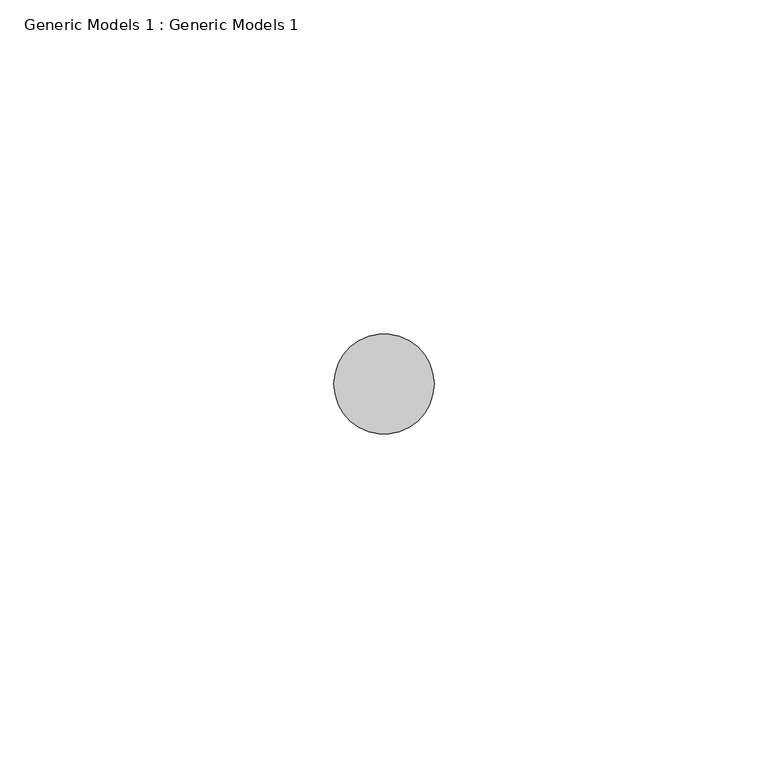
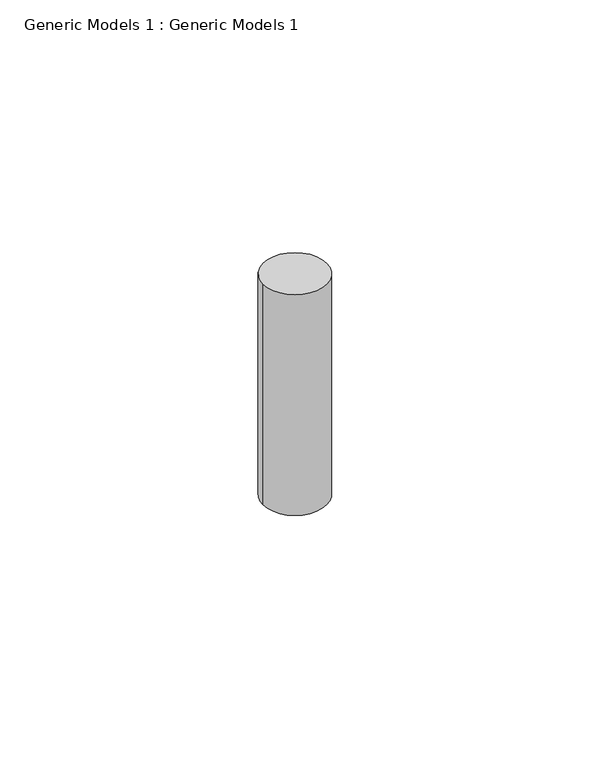
"""IFC4 building model written with IfcOpenShell, lengths in millimetres: proxy geometry, Generic Models 1 : Generic Models 1."""

import ifcopenshell
import ifcopenshell.guid

model = None  # the IFC model being written
_history = None  # IfcOwnerHistory: only IFC2X3 demands one
_inside = {}  # id of a spatial element -> (the spatial element, [elements in it])
_under = {}  # id of a project, library or spatial element -> (it, [spatial elements below it])
_declared = {}  # id of a project -> (the project, [libraries it declares])
_typed = {}  # id of a type object -> (the type object, [elements of that type])
_made_of = {}  # id of a material, layer set ... -> (it, [elements and type objects made of it])


def new_model(schema):
    """Start an empty IFC model of exactly this schema.

    Asked for "IFC4X3", IfcOpenShell would pick the latest addendum, in which some entities
    have other attributes; the version numbers below select the first issue.
    IFC2X3 requires an IfcOwnerHistory on every rooted entity: one is made here for all.
    """
    global model, _history
    if schema == "IFC4X3":
        model = ifcopenshell.file(schema_version=(4, 3, 0, 0))
    else:
        model = ifcopenshell.file(schema=schema)
    _inside.clear()
    _under.clear()
    _declared.clear()
    _typed.clear()
    _made_of.clear()
    _history = None
    if model.schema == "IFC2X3":
        org = make("IfcOrganization", Name="unknown")
        user = make(
            "IfcPersonAndOrganization",
            ThePerson=make("IfcPerson", FamilyName="unknown"),
            TheOrganization=org,
        )
        app = make(
            "IfcApplication",
            ApplicationDeveloper=org,
            Version="unknown",
            ApplicationFullName="unknown",
            ApplicationIdentifier="unknown",
        )
        _history = make(
            "IfcOwnerHistory",
            OwningUser=user,
            OwningApplication=app,
            ChangeAction="ADDED",
            CreationDate=0,
        )
    return model


def make(cls, **values):
    """One entity of the class cls with the attributes given. An attribute that is None is left unset."""
    return model.create_entity(
        cls, **{name: value for name, value in values.items() if value is not None}
    )


def rooted(cls, **values):
    """An entity with a GlobalId (a new one), such as an element, a storey or a relation."""
    return make(cls, GlobalId=ifcopenshell.guid.new(), OwnerHistory=_history, **values)


def si_unit(unit_type, name, prefix=None):
    """IfcSIUnit, for example si_unit("LENGTHUNIT", "METRE", prefix="MILLI")."""
    return make("IfcSIUnit", UnitType=unit_type, Prefix=prefix, Name=name)


def assignment(units):
    """IfcUnitAssignment: the units of a project."""
    return None if units is None else make("IfcUnitAssignment", Units=units)


def point(xyz):
    """IfcCartesianPoint."""
    return None if xyz is None else make("IfcCartesianPoint", Coordinates=xyz)


def direction(xyz):
    """IfcDirection."""
    return None if xyz is None else make("IfcDirection", DirectionRatios=xyz)


def frame(location, z_axis=None, x_axis=None):
    """IfcAxis2Placement3D, a coordinate frame: its origin and axes. An axis left out is left unset."""
    return make(
        "IfcAxis2Placement3D",
        Location=point(location),
        Axis=direction(z_axis),
        RefDirection=direction(x_axis),
    )


def frame_2d(location, x_axis=None):
    """IfcAxis2Placement2D, a coordinate frame in the plane: its origin and x axis."""
    return make(
        "IfcAxis2Placement2D", Location=point(location), RefDirection=direction(x_axis)
    )


def origin():
    """The frame at (0, 0, 0) with its axes left unset."""
    return frame((0.0, 0.0, 0.0))


def place(relative_to, where):
    """IfcLocalPlacement: puts the frame where relative to a parent placement (None: the world)."""
    return make(
        "IfcLocalPlacement", PlacementRelTo=relative_to, RelativePlacement=where
    )


def context(
    kind, dimensions, precision=None, world=None, true_north=None, identifier=None
):
    """IfcGeometricRepresentationContext, for example the 3D "Model" context."""
    return make(
        "IfcGeometricRepresentationContext",
        ContextIdentifier=identifier,
        ContextType=kind,
        CoordinateSpaceDimension=dimensions,
        Precision=precision,
        WorldCoordinateSystem=world,
        TrueNorth=true_north,
    )


def project(units=None, contexts=None):
    """IfcProject with its units and contexts."""
    return rooted(
        "IfcProject",
        Name="project",
        RepresentationContexts=contexts,
        UnitsInContext=assignment(units),
    )


def spatial(cls, under=None, at=None, **own):
    """A site, building, storey or space (cls), placed at a placement, below another one or the project."""
    s = rooted(cls, ObjectPlacement=at, **own)
    if under is not None:
        _under.setdefault(under.id(), (under, []))[1].append(s)
    return s


def circle_curve(where, radius):
    """IfcCircle in the frame where."""
    return make("IfcCircle", Position=where, Radius=radius)


def trimmed(basis, trim1, trim2, sense, master):
    """IfcTrimmedCurve: the piece of a basis curve between two trims."""
    return make(
        "IfcTrimmedCurve",
        BasisCurve=basis,
        Trim1=trim1,
        Trim2=trim2,
        SenseAgreement=sense,
        MasterRepresentation=master,
    )


def segment(curve, same_sense, transition):
    """IfcCompositeCurveSegment."""
    return make(
        "IfcCompositeCurveSegment",
        Transition=transition,
        SameSense=same_sense,
        ParentCurve=curve,
    )


def composite_curve(segments, self_intersect=None):
    """IfcCompositeCurve: segments joined end to end."""
    return make("IfcCompositeCurve", Segments=segments, SelfIntersect=self_intersect)


def outline(outer, holes=None, kind="AREA"):
    """IfcArbitraryClosedProfileDef: a profile drawn as a closed curve; with holes, ...WithVoids."""
    if holes is None:
        return make("IfcArbitraryClosedProfileDef", ProfileType=kind, OuterCurve=outer)
    return make(
        "IfcArbitraryProfileDefWithVoids",
        ProfileType=kind,
        OuterCurve=outer,
        InnerCurves=holes,
    )


def extrude(swept, where, along, depth):
    """IfcExtrudedAreaSolid: the profile swept, set in the frame where, extruded along a direction by depth."""
    return make(
        "IfcExtrudedAreaSolid",
        SweptArea=swept,
        Position=where,
        ExtrudedDirection=direction(along),
        Depth=depth,
    )


def shape(context_of_items, identifier, shape_type, items):
    """IfcShapeRepresentation: the items that make up one representation, for example the "Body"."""
    return make(
        "IfcShapeRepresentation",
        ContextOfItems=context_of_items,
        RepresentationIdentifier=identifier,
        RepresentationType=shape_type,
        Items=items,
    )


def source(mapping_origin, context_of_items, identifier, shape_type, items):
    """IfcRepresentationMap: a shape defined once, which mapped items show again and again."""
    return make(
        "IfcRepresentationMap",
        MappingOrigin=mapping_origin,
        MappedRepresentation=shape(context_of_items, identifier, shape_type, items),
    )


def transform(
    local_origin,
    x_axis=None,
    y_axis=None,
    z_axis=None,
    scale=None,
    scale2=None,
    scale3=None,
    uniform=True,
):
    """IfcCartesianTransformationOperator3D, or its non-uniform kind. x_axis, y_axis, z_axis: its Axis1, 2, 3."""
    if uniform:
        return make(
            "IfcCartesianTransformationOperator3D",
            Axis1=direction(x_axis),
            Axis2=direction(y_axis),
            LocalOrigin=point(local_origin),
            Scale=scale,
            Axis3=direction(z_axis),
        )
    return make(
        "IfcCartesianTransformationOperator3DnonUniform",
        Axis1=direction(x_axis),
        Axis2=direction(y_axis),
        LocalOrigin=point(local_origin),
        Scale=scale,
        Axis3=direction(z_axis),
        Scale2=scale2,
        Scale3=scale3,
    )


def mapped(mapping_source, mapping_target):
    """IfcMappedItem: shows the shape of a source again, moved by a transform."""
    return make(
        "IfcMappedItem", MappingSource=mapping_source, MappingTarget=mapping_target
    )


def made_of(thing, what):
    """Note that an element or type object is made of a material, layer set ...; save() writes the relation."""
    if what is not None:
        _made_of.setdefault(what.id(), (what, []))[1].append(thing)
    return thing


def element(
    cls,
    number,
    at=None,
    inside=None,
    cuts=None,
    type_object=None,
    material=None,
    context=None,
    identifier="Body",
    shape_type=None,
    held_by="IfcProductDefinitionShape",
    body=None,
    shapes=None,
    **own,
):
    """One element of the class cls, such as IfcWall. Its Tag is "e" and its number.

    at: its placement. inside: the storey or other place that contains it. cuts: it is an
    opening in that element (IfcRelVoidsElement). A single representation is given by context,
    identifier, shape_type and body (its items); several are given by shapes. held_by: the class
    of the entity that holds the representations. save() writes the other relations.
    """
    e = rooted(cls, Tag="e%d" % number, ObjectPlacement=at, **own)
    if body is not None:
        shapes = [shape(context, identifier, shape_type, body)]
    if shapes is not None:
        e.Representation = make(held_by, Representations=shapes)
    if inside is not None:
        _inside.setdefault(inside.id(), (inside, []))[1].append(e)
    if cuts is not None:
        rooted(
            "IfcRelVoidsElement", RelatingBuildingElement=cuts, RelatedOpeningElement=e
        )
    if type_object is not None:
        _typed.setdefault(type_object.id(), (type_object, []))[1].append(e)
    return made_of(e, material)


def aggregate(whole, parts):
    """IfcRelAggregates: a whole, such as a stair, and the parts it consists of."""
    return rooted("IfcRelAggregates", RelatingObject=whole, RelatedObjects=parts)


def save(model, path):
    """Write the relations noted so far, then the file.

    IfcRelAggregates (storeys below a building ...), IfcRelContainedInSpatialStructure (elements
    in a storey), IfcRelDefinesByType, IfcRelAssociatesMaterial and IfcRelDeclares: one each for
    every whole, place, type object, material and project.
    """
    for whole, parts in _under.values():
        aggregate(whole, parts)
    for where, things in _inside.values():
        rooted(
            "IfcRelContainedInSpatialStructure",
            RelatedElements=things,
            RelatingStructure=where,
        )
    for kind, things in _typed.values():
        rooted("IfcRelDefinesByType", RelatedObjects=things, RelatingType=kind)
    for what, things in _made_of.values():
        rooted("IfcRelAssociatesMaterial", RelatedObjects=things, RelatingMaterial=what)
    for by, libraries in _declared.values():
        rooted("IfcRelDeclares", RelatingContext=by, RelatedDefinitions=libraries)
    model.write(path)


def generic_models_1_generic_models_1_f5516d24(model_context):
    return source(origin(), model_context, "Body", "SweptSolid", [
        extrude(outline(composite_curve([segment(trimmed(circle_curve(frame_2d((2232.7165127, 400.3057469)), 7.5), [point((2225.2165127, 400.3057469))], [point((2240.2165127, 400.3057469))], False, "CARTESIAN"), True, "CONTINUOUS"), segment(trimmed(circle_curve(frame_2d((2232.7165127, 400.3057469)), 7.5), [point((2240.2165127, 400.3057469))], [point((2225.2165127, 400.3057469))], False, "CARTESIAN"), True, "CONTINUOUS")], self_intersect=False)), frame((0.0, 0.0, -839.6691196), z_axis=(0.0, 0.0, 1.0), x_axis=(1.0, 0.0, 0.0)), (0.0, 0.0, 1.0), 55.0000012),
    ])


if __name__ == "__main__":
    model = new_model("IFC4")
    model_context = context("Model", 3, world=origin())
    ifc_project = project(units=[si_unit("LENGTHUNIT", "METRE", prefix="MILLI")], contexts=[model_context])
    site = spatial("IfcSite", under=ifc_project)
    building = spatial("IfcBuilding", under=site)
    placement = place(None, origin())
    generic_models_1_generic_models_1_shape = generic_models_1_generic_models_1_f5516d24(model_context)
    element("IfcBuildingElementProxy", 1, Name="Generic Models 1 : Generic Models 1", ObjectType="Generic Models 1 : Generic Models 1", at=placement, inside=building, context=model_context, shape_type="MappedRepresentation", body=[
        mapped(generic_models_1_generic_models_1_shape, transform((0.0, 0.0, 0.0), x_axis=(1.0, 0.0, 0.0), y_axis=(0.0, 1.0, 0.0), z_axis=(0.0, 0.0, 1.0))),
    ])
    save(model, "model.ifc")
